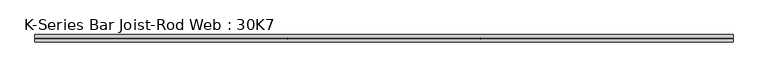
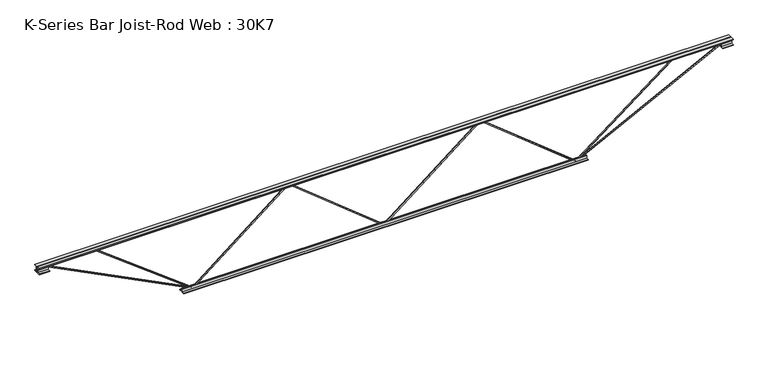
"""IFC4 building model written with IfcOpenShell, lengths in millimetres: beam geometry, K-Series Bar Joist-Rod Web : 30K7."""

from ifc_helpers import new_model, si_unit, frame, origin, place, context, project, spatial, polyline, outline, extrude, source, transform, mapped, element, save


def k_series_bar_joist_rod_web_30k7_4ac42e97(model_context):
    return source(origin(), model_context, "Body", "SweptSolid", [
        extrude(outline(polyline([(-369.8875, 0.0), (-379.4125, 0.0), (-379.4125, 4.8466414), (369.8875, 940.7205816), (369.8875, 943.7272987), (-379.4125, 1879.6012388), (-379.4125, 1884.4478803), (-369.8875, 1884.4478803), (-369.8875, 1882.9445217), (379.4125, 947.0705816), (379.4125, 937.3772987), (-369.8875, 1.5033586), (-369.8875, 0.0)])), frame((0.0, -4.7625, 0.0), z_axis=(0.0, 1.0, 0.0), x_axis=(0.0, 0.0, 1.0)), (0.0, 0.0, 1.0), 9.525),
        extrude(outline(polyline([(-369.8875, -1884.4478803), (-379.4125, -1884.4478803), (-379.4125, -1879.6012388), (369.8875, -943.7272987), (369.8875, -940.7205816), (-379.4125, -4.8466414), (-379.4125, 0.0), (-369.8875, 0.0), (-369.8875, -1.5033586), (379.4125, -937.3772987), (379.4125, -947.0705816), (-369.8875, -1882.9445217), (-369.8875, -1884.4478803)])), frame((0.0, -4.7625, 0.0), z_axis=(0.0, 1.0, 0.0), x_axis=(0.0, 0.0, 1.0)), (0.0, 0.0, 1.0), 9.525),
        extrude(outline(polyline([(4.7625, 381.0), (36.5125, 381.0), (36.5125, 374.65), (11.1125, 374.65), (11.1125, 349.25), (4.7625, 349.25), (4.7625, 381.0)])), frame((-3408.4478803, 0.0, 0.0), z_axis=(1.0, 0.0, 0.0), x_axis=(0.0, 1.0, 0.0)), (0.0, 0.0, 1.0), 6816.8957605),
        extrude(outline(polyline([(-4.7625, 381.0), (-4.7625, 349.25), (-11.1125, 349.25), (-11.1125, 374.65), (-36.5125, 374.65), (-36.5125, 381.0), (-4.7625, 381.0)])), frame((-3408.4478803, 0.0, 0.0), z_axis=(1.0, 0.0, 0.0), x_axis=(0.0, 1.0, 0.0)), (0.0, 0.0, 1.0), 6816.8957605),
        extrude(outline(polyline([(-4.7625, 317.5), (-36.5125, 317.5), (-36.5125, 323.85), (-11.1125, 323.85), (-11.1125, 349.25), (-4.7625, 349.25), (-4.7625, 317.5)])), frame((-3408.4478803, 0.0, 0.0), z_axis=(1.0, 0.0, 0.0), x_axis=(0.0, 1.0, 0.0)), (0.0, 0.0, 1.0), 101.6),
        extrude(outline(polyline([(36.5125, 317.5), (4.7625, 317.5), (4.7625, 349.25), (11.1125, 349.25), (11.1125, 323.85), (36.5125, 323.85), (36.5125, 317.5)])), frame((-3408.4478803, 0.0, 0.0), z_axis=(1.0, 0.0, 0.0), x_axis=(0.0, 1.0, 0.0)), (0.0, 0.0, 1.0), 101.6),
        extrude(outline(polyline([(4.7625, 317.5), (4.7625, 349.25), (11.1125, 349.25), (11.1125, 323.85), (36.5125, 323.85), (36.5125, 317.5), (4.7625, 317.5)])), frame((3306.8478803, 0.0, 0.0), z_axis=(1.0, 0.0, 0.0), x_axis=(0.0, 1.0, 0.0)), (0.0, 0.0, 1.0), 101.6),
        extrude(outline(polyline([(-4.7625, 317.5), (-36.5125, 317.5), (-36.5125, 323.85), (-11.1125, 323.85), (-11.1125, 349.25), (-4.7625, 349.25), (-4.7625, 317.5)])), frame((3306.8478803, 0.0, 0.0), z_axis=(1.0, 0.0, 0.0), x_axis=(0.0, 1.0, 0.0)), (0.0, 0.0, 1.0), 101.6),
        extrude(outline(polyline([(4.7625, -381.0), (4.7625, -349.25), (11.1125, -349.25), (11.1125, -374.65), (36.5125, -374.65), (36.5125, -381.0), (4.7625, -381.0)])), frame((-1986.0478803, 0.0, 0.0), z_axis=(1.0, 0.0, 0.0), x_axis=(0.0, 1.0, 0.0)), (0.0, 0.0, 1.0), 3972.0957605),
        extrude(outline(polyline([(-4.7625, -381.0), (-36.5125, -381.0), (-36.5125, -374.65), (-11.1125, -374.65), (-11.1125, -349.25), (-4.7625, -349.25), (-4.7625, -381.0)])), frame((-1986.0478803, 0.0, 0.0), z_axis=(1.0, 0.0, 0.0), x_axis=(0.0, 1.0, 0.0)), (0.0, 0.0, 1.0), 3972.0957605),
        extrude(outline(polyline([(0.0, -9.525), (0.0, 0.0), (1596.011582, 0.0), (1596.011582, -9.525), (0.0, -9.525)])), frame((-3309.0079985, 4.7625, 345.0055571), z_axis=(0.4535681370653387, 0.0, 0.8912216026550738), x_axis=(0.8912216026550738, 0.0, -0.4535681370653387)), (0.0, 0.0, 1.0), 9.525),
        extrude(outline(polyline([(0.0, -9.525), (0.0, 0.0), (1188.1991262, 0.0), (1188.1991262, -9.525), (0.0, -9.525)])), frame((-2829.5733322, 4.7625, 345.4734095), z_axis=(0.6092413166058727, 0.0, 0.7929848788850535), x_axis=(0.7929848788850535, 0.0, -0.6092413166058727)), (0.0, 0.0, 1.0), 9.525),
        extrude(outline(polyline([(0.0, -9.525), (0.0, 0.0), (1596.011582, 0.0), (1596.011582, -9.525), (0.0, -9.525)])), frame((3309.0079985, -4.7625, 345.0055571), z_axis=(-0.4535681370653314, 0.0, 0.8912216026550775), x_axis=(-0.8912216026550775, 0.0, -0.4535681370653314)), (0.0, 0.0, 1.0), 9.525),
        extrude(outline(polyline([(0.0, -9.525), (0.0, 0.0), (1188.1991262, 0.0), (1188.1991262, -9.525), (0.0, -9.525)])), frame((2829.5733322, -4.7625, 345.4734095), z_axis=(-0.6092413166058714, 0.0, 0.7929848788850543), x_axis=(-0.7929848788850543, 0.0, -0.6092413166058714)), (0.0, 0.0, 1.0), 9.525),
    ])


if __name__ == "__main__":
    model = new_model("IFC4")
    model_context = context("Model", 3, world=origin())
    ifc_project = project(units=[si_unit("LENGTHUNIT", "METRE", prefix="MILLI")], contexts=[model_context])
    site = spatial("IfcSite", under=ifc_project)
    building = spatial("IfcBuilding", under=site)
    placement = place(None, origin())
    k_series_bar_joist_rod_web_30k7_shape = k_series_bar_joist_rod_web_30k7_4ac42e97(model_context)
    element("IfcBeam", 1, ObjectType="K-Series Bar Joist-Rod Web : 30K7", at=placement, inside=building, context=model_context, shape_type="MappedRepresentation", body=[
        mapped(k_series_bar_joist_rod_web_30k7_shape, transform((0.0, 0.0, 0.0), x_axis=(1.0, 0.0, 0.0), y_axis=(0.0, 1.0, 0.0), z_axis=(0.0, 0.0, 1.0))),
    ])
    save(model, "model.ifc")
